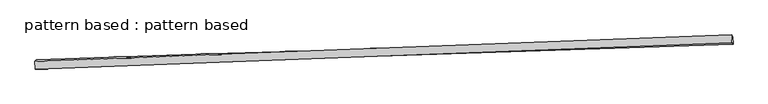
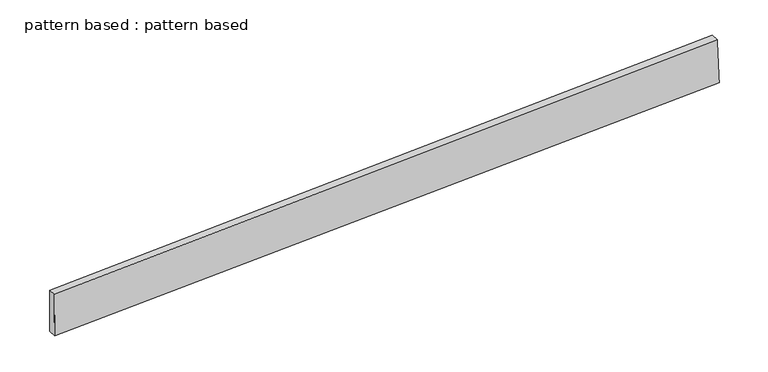
"""IFC4 building model written with IfcOpenShell, lengths in millimetres: plate geometry, pattern based : pattern based."""

from ifc_helpers import new_model, si_unit, frame, origin, place, context, project, spatial, source, transform, mapped, element, save
from ifc_brep_helpers import plane_surface, spline_surface, advanced_brep


def pattern_based_pattern_based_32cfa080(model_context):
    return source(origin(), model_context, "Body", "AdvancedBrep", [
        advanced_brep(
        [(3576.5744758, 3576.5744758, -28.5074304), (3572.9649854, 3571.5168187, 121.36382), (3572.0761884, 3596.5009596, 121.311473), (3575.6856787, 3601.5586167, -28.5597773), (5831.6673354, 3657.2314142, 178.2884479), (5830.7785384, 3682.2155552, 178.236101), (5835.6251407, 3651.8149816, 28.4385296), (5834.7363436, 3676.7991226, 28.3861826)],
        [
            (0, 1),
            (1, 2),
            (2, 3),
            (3, 0),
            (1, 4),
            (4, 5),
            (5, 2),
            (4, 6),
            (6, 7),
            (7, 5),
            (6, 0),
            (3, 7),
        ],
        [
            plane_surface(frame((3574.7697306, 3574.0456472, 46.4281948), z_axis=(-0.9990470099863755, -0.03559347656834446, -0.025262150800396826), x_axis=(-0.024063268900594056, -0.033717714162584685, 0.9991416690547282))),
            plane_surface(frame((4702.3161604, 3614.3741164, 149.8261339), z_axis=(-0.025239723518650458, 0.0011966485771843084, 0.9996807112217805), x_axis=(0.998963984583306, 0.037909286235081906, 0.025176249176376432))),
            plane_surface(frame((5833.646238, 3654.5231979, 103.3634887), z_axis=(0.9990510991975581, 0.03559328269344958, 0.02510018763386607), x_axis=(0.026385368325805295, -0.0361095505831361, -0.9989994558031529))),
            plane_surface(frame((4706.0998082, 3614.1947287, -0.0344504), z_axis=(0.02523972351865035, -0.0011966485771843123, -0.9996807112217806), x_axis=(-0.9991287672340471, -0.03327723233923947, -0.02518595428435767))),
            spline_surface(1, 1, [[(3572.0761884, 3596.5009596, 121.311473), (3575.6856787, 3601.5586167, -28.5597773)], [(5830.7785384, 3682.2155552, 178.236101), (5834.7363436, 3676.7991226, 28.3861826)]], [2, 2], [2, 2], [0.0, 1.0], [0.0, 1.0]),
            spline_surface(1, 1, [[(5835.6251407, 3651.8149816, 28.4385296), (3576.5744758, 3576.5744758, -28.5074304)], [(5831.6673354, 3657.2314142, 178.2884479), (3572.9649854, 3571.5168187, 121.36382)]], [2, 2], [2, 2], [0.0, 1.0], [0.0, 1.0]),
        ],
        [
            (0, [[1, 2, 3, 4]]),
            (1, [[5, 6, 7, -2]]),
            (2, [[8, 9, 10, -6]]),
            (3, [[11, -4, 12, -9]]),
            (4, [[-3, -7, -10, -12]]),
            (5, [[-11, -8, -5, -1]]),
        ],
    ),
    ])


if __name__ == "__main__":
    model = new_model("IFC4")
    model_context = context("Model", 3, world=origin())
    ifc_project = project(units=[si_unit("LENGTHUNIT", "METRE", prefix="MILLI")], contexts=[model_context])
    site = spatial("IfcSite", under=ifc_project)
    building = spatial("IfcBuilding", under=site)
    placement = place(None, origin())
    pattern_based_pattern_based_shape = pattern_based_pattern_based_32cfa080(model_context)
    element("IfcPlate", 1, ObjectType="pattern based : pattern based", at=placement, inside=building, context=model_context, shape_type="MappedRepresentation", body=[
        mapped(pattern_based_pattern_based_shape, transform((0.0, 0.0, 0.0), x_axis=(1.0, 0.0, 0.0), y_axis=(0.0, 1.0, 0.0), z_axis=(0.0, 0.0, 1.0))),
    ])
    save(model, "model.ifc")
